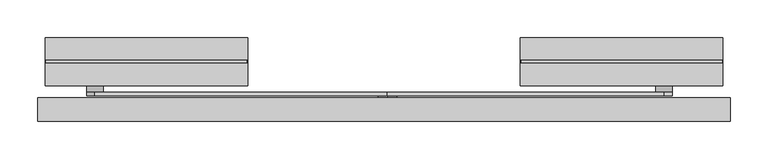
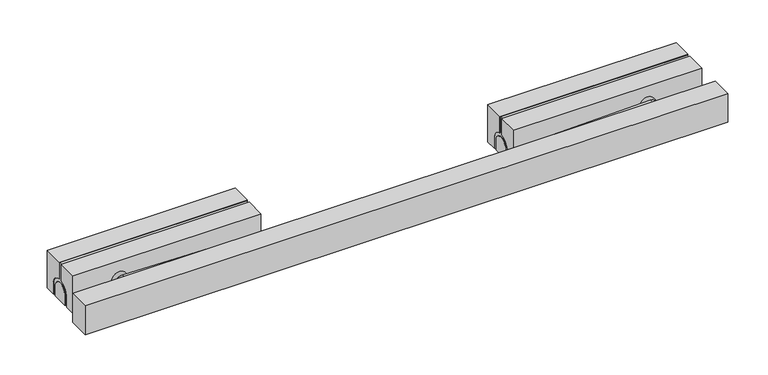
"""IFC4 building model written with IfcOpenShell, lengths in millimetres: proxy geometry."""

from ifc_helpers import new_model, si_unit, point, frame, frame_2d, origin, origin_with_axes, place, context, project, spatial, polyline, circle_curve, trimmed, segment, composite_curve, outline, extrude, source, transform, mapped, element, save
from ifc_brep_helpers import plane_surface, cylinder_surface, revolved_surface, advanced_brep


def generic_models_06348b59(model_context):
    return source(origin(), model_context, "Body", "SolidModel", [
        advanced_brep(
        [(-182.5, 46.0, 56.0), (-182.5, 46.0, 31.8151717), (-182.5, 31.5, 15.0), (-182.5, 31.5, 0.0), (-182.5, 36.5, 0.0), (-182.5, 36.5, 15.0), (-182.5, 60.5, 15.0), (-182.5, 60.5, 0.0), (-182.5, 65.5, 0.0), (-182.5, 65.5, 15.0), (-182.5, 51.0, 31.8151717), (-182.5, 51.0, 56.0), (-450.5, 51.0, 56.0), (-450.5, 51.0, 31.8151717), (-450.5, 65.5, 15.0), (-450.5, 65.5, 0.0), (-450.5, 60.5, 0.0), (-450.5, 60.5, 15.0), (-450.5, 36.5, 15.0), (-450.5, 36.5, 0.0), (-450.5, 31.5, 0.0), (-450.5, 31.5, 15.0), (-450.5, 46.0, 31.8151717), (-450.5, 46.0, 56.0), (-181.5, 46.0, 57.0), (-451.5, 46.0, 57.0), (-451.5, 16.5, 57.0), (-181.5, 16.5, 57.0), (-451.5, 46.0, 31.8151717), (-181.5, 46.0, 31.8151717), (-181.5, 16.5, 0.0), (-451.5, 16.5, 0.0), (-451.5, 31.5, 0.0), (-451.5, 36.5, 0.0), (-451.5, 60.5, 0.0), (-451.5, 65.5, 0.0), (-451.5, 80.5, 0.0), (-181.5, 80.5, 0.0), (-181.5, 65.5, 0.0), (-181.5, 60.5, 0.0), (-181.5, 36.5, 0.0), (-181.5, 31.5, 0.0), (-181.5, 80.5, 57.0), (-451.5, 80.5, 57.0), (-451.5, 51.0, 57.0), (-181.5, 51.0, 57.0), (-181.5, 51.0, 31.8151717), (-451.5, 51.0, 31.8151717), (-181.5, 31.5, 15.0), (-181.5, 60.5, 15.0), (-181.5, 36.5, 15.0), (-181.5, 65.5, 15.0), (-451.5, 31.5, 15.0), (-451.5, 65.5, 15.0), (-451.5, 36.5, 15.0), (-451.5, 60.5, 15.0)],
        [
            (0, 1),
            (1, 2, circle_curve(frame((-182.5, 48.5, 15.0), z_axis=(1.0, 0.0, 0.0), x_axis=(0.0, -1.0, 0.0)), 17.0)),
            (2, 3),
            (3, 4),
            (4, 5),
            (5, 6, circle_curve(frame((-182.5, 48.5, 15.0), z_axis=(-1.0, 0.0, 0.0), x_axis=(0.0, -1.0, 0.0)), 12.0)),
            (6, 7),
            (7, 8),
            (8, 9),
            (9, 10, circle_curve(frame((-182.5, 48.5, 15.0), z_axis=(1.0, 0.0, 0.0), x_axis=(0.0, -1.0, 0.0)), 17.0)),
            (10, 11),
            (11, 0),
            (12, 13),
            (13, 14, circle_curve(frame((-450.5, 48.5, 15.0), z_axis=(-1.0, 0.0, 0.0), x_axis=(0.0, -1.0, 0.0)), 17.0)),
            (14, 15),
            (15, 16),
            (16, 17),
            (17, 18, circle_curve(frame((-450.5, 48.5, 15.0), z_axis=(1.0, 0.0, 0.0), x_axis=(0.0, -1.0, 0.0)), 12.0)),
            (18, 19),
            (19, 20),
            (20, 21),
            (21, 22, circle_curve(frame((-450.5, 48.5, 15.0), z_axis=(-1.0, 0.0, 0.0), x_axis=(0.0, -1.0, 0.0)), 17.0)),
            (22, 23),
            (23, 12),
            (24, 25),
            (25, 26),
            (26, 27),
            (27, 24),
            (22, 28),
            (28, 25),
            (24, 29),
            (29, 1),
            (0, 23),
            (30, 31),
            (31, 32),
            (32, 20),
            (19, 33),
            (33, 34),
            (34, 16),
            (15, 35),
            (35, 36),
            (36, 37),
            (37, 38),
            (38, 8),
            (7, 39),
            (39, 40),
            (40, 4),
            (3, 41),
            (41, 30),
            (26, 31),
            (30, 27),
            (42, 43),
            (43, 44),
            (44, 45),
            (45, 42),
            (36, 43),
            (42, 37),
            (10, 46),
            (46, 45),
            (44, 47),
            (47, 13),
            (12, 11),
            (41, 48),
            (48, 29, circle_curve(frame((-181.5, 48.5, 15.0), z_axis=(-1.0, 0.0, 0.0), x_axis=(0.0, -1.0, 0.0)), 17.0)),
            (39, 49),
            (49, 50, circle_curve(frame((-181.5, 48.5, 15.0), z_axis=(1.0, 0.0, 0.0), x_axis=(0.0, -1.0, 0.0)), 12.0)),
            (50, 40),
            (46, 51, circle_curve(frame((-181.5, 48.5, 15.0), z_axis=(-1.0, 0.0, 0.0), x_axis=(0.0, -1.0, 0.0)), 17.0)),
            (51, 38),
            (48, 2),
            (51, 9),
            (50, 5),
            (49, 6),
            (28, 52, circle_curve(frame((-451.5, 48.5, 15.0), z_axis=(1.0, 0.0, 0.0), x_axis=(0.0, -1.0, 0.0)), 17.0)),
            (52, 32),
            (35, 53),
            (53, 47, circle_curve(frame((-451.5, 48.5, 15.0), z_axis=(1.0, 0.0, 0.0), x_axis=(0.0, -1.0, 0.0)), 17.0)),
            (33, 54),
            (54, 55, circle_curve(frame((-451.5, 48.5, 15.0), z_axis=(-1.0, 0.0, 0.0), x_axis=(0.0, -1.0, 0.0)), 12.0)),
            (55, 34),
            (21, 52),
            (14, 53),
            (18, 54),
            (17, 55),
        ],
        [
            plane_surface(frame((-182.5, 46.0, 57.0), z_axis=(1.0, 0.0, 0.0), x_axis=(0.0, 1.0, 0.0))),
            plane_surface(frame((-450.5, 46.0, 57.0), z_axis=(-1.0, 0.0, 0.0), x_axis=(0.0, -1.0, 0.0))),
            plane_surface(frame((-182.5, 16.5, 57.0), z_axis=(0.0, 0.0, 1.0), x_axis=(-1.0, 0.0, 0.0))),
            plane_surface(frame((-182.5, 46.0, 57.0), z_axis=(0.0, 1.0, 0.0), x_axis=(-1.0, 0.0, 0.0))),
            plane_surface(frame((-182.5, 80.5, 0.0), z_axis=(0.0, 0.0, -1.0), x_axis=(-1.0, 0.0, 0.0))),
            plane_surface(frame((-182.5, 16.5, 0.0), z_axis=(0.0, -1.0, 0.0), x_axis=(-1.0, 0.0, 0.0))),
            plane_surface(frame((-182.5, 51.0, 57.0), z_axis=(0.0, 0.0, 1.0), x_axis=(-1.0, 0.0, 0.0))),
            plane_surface(frame((-182.5, 80.5, 57.0), z_axis=(0.0, 1.0, 0.0), x_axis=(-1.0, 0.0, 0.0))),
            plane_surface(frame((-182.5, 51.0, 56.0), z_axis=(0.0, -1.0, 0.0), x_axis=(-1.0, 0.0, 0.0))),
            plane_surface(frame((-182.5, 46.0, 56.0), z_axis=(0.0, 0.0, 1.0), x_axis=(-1.0, 0.0, 0.0))),
            plane_surface(frame((-181.5, 16.5, 57.0), z_axis=(1.0, 0.0, 0.0), x_axis=(0.0, 1.0, 0.0))),
            revolved_surface(polyline([(-181.5, 31.5, 15.0), (-182.5, 31.5, 15.0)]), (-181.5, 48.5, 15.0), (1.0, 0.0, 0.0)),
            plane_surface(frame((-182.5, 31.5, 0.0), z_axis=(0.0, 1.0, 0.0), x_axis=(1.0, 0.0, 0.0))),
            plane_surface(frame((-182.5, 65.5, 15.0), z_axis=(0.0, -1.0, 0.0), x_axis=(1.0, 0.0, 0.0))),
            revolved_surface(polyline([(-181.5, 31.5, 15.0), (-182.5, 31.5, 15.0)]), (500.0, 48.5, 15.0), (1.0, 0.0, 0.0)),
            plane_surface(frame((-182.5, 36.5, 15.0), z_axis=(0.0, -1.0, 0.0), x_axis=(1.0, 0.0, 0.0))),
            cylinder_surface(frame((500.0, 48.5, 15.0), z_axis=(-1.0, 0.0, 0.0), x_axis=(0.0, -1.0, 0.0)), 12.0),
            plane_surface(frame((-182.5, 60.5, 0.0), z_axis=(0.0, 1.0, 0.0), x_axis=(1.0, 0.0, 0.0))),
            plane_surface(frame((-451.5, 16.5, 57.0), z_axis=(-1.0, 0.0, 0.0), x_axis=(0.0, -1.0, 0.0))),
            revolved_surface(polyline([(-450.5, 31.5, 15.0), (-451.5, 31.5, 15.0)]), (-450.5, 48.5, 15.0), (1.0, 0.0, 0.0)),
            plane_surface(frame((-451.5, 31.5, 0.0), z_axis=(0.0, 1.0, 0.0), x_axis=(1.0, 0.0, 0.0))),
            plane_surface(frame((-451.5, 65.5, 15.0), z_axis=(0.0, -1.0, 0.0), x_axis=(1.0, 0.0, 0.0))),
            revolved_surface(polyline([(-450.5, 31.5, 15.0), (-451.5, 31.5, 15.0)]), (0.0, 48.5, 15.0), (1.0, 0.0, 0.0)),
            plane_surface(frame((-451.5, 36.5, 15.0), z_axis=(0.0, -1.0, 0.0), x_axis=(1.0, 0.0, 0.0))),
            cylinder_surface(frame((0.0, 48.5, 15.0), z_axis=(-1.0, 0.0, 0.0), x_axis=(0.0, -1.0, 0.0)), 12.0),
            plane_surface(frame((-451.5, 60.5, 0.0), z_axis=(0.0, 1.0, 0.0), x_axis=(1.0, 0.0, 0.0))),
        ],
        [
            (0, [[1, 2, 3, 4, 5, 6, 7, 8, 9, 10, 11, 12]]),
            (1, [[13, 14, 15, 16, 17, 18, 19, 20, 21, 22, 23, 24]]),
            (2, [[25, 26, 27, 28]]),
            (3, [[-23, 29, 30, -25, 31, 32, -1, 33]]),
            (4, [[34, 35, 36, -20, 37, 38, 39, -16, 40, 41, 42, 43, 44, -8, 45, 46, 47, -4, 48, 49]]),
            (5, [[50, -34, 51, -27]]),
            (6, [[52, 53, 54, 55]]),
            (7, [[56, -52, 57, -42]]),
            (8, [[-11, 58, 59, -54, 60, 61, -13, 62]]),
            (9, [[-62, -24, -33, -12]]),
            (10, [[-28, -51, -49, 63, 64, -31]]),
            (10, [[-46, 65, 66, 67]]),
            (10, [[-59, 68, 69, -43, -57, -55]]),
            (11, [[70, -2, -32, -64]]),
            (12, [[-48, -3, -70, -63]]),
            (13, [[71, -9, -44, -69]]),
            (14, [[-58, -10, -71, -68]]),
            (15, [[72, -5, -47, -67]]),
            (16, [[73, -6, -72, -66]]),
            (17, [[-45, -7, -73, -65]]),
            (18, [[-30, 74, 75, -35, -50, -26]]),
            (18, [[-53, -56, -41, 76, 77, -60]]),
            (18, [[78, 79, 80, -38]]),
            (19, [[-29, -22, 81, -74]]),
            (20, [[-81, -21, -36, -75]]),
            (21, [[-40, -15, 82, -76]]),
            (22, [[-82, -14, -61, -77]]),
            (23, [[-37, -19, 83, -78]]),
            (24, [[-83, -18, 84, -79]]),
            (25, [[-84, -17, -39, -80]]),
        ],
    ),
        advanced_brep(
        [(182.5, 51.0, 56.0), (182.5, 51.0, 31.8151717), (182.5, 65.5, 15.0), (182.5, 65.5, 0.0), (182.5, 60.5, 0.0), (182.5, 60.5, 15.0), (182.5, 36.5, 15.0), (182.5, 36.5, 0.0), (182.5, 31.5, 0.0), (182.5, 31.5, 15.0), (182.5, 46.0, 31.8151717), (182.5, 46.0, 56.0), (450.5, 46.0, 56.0), (450.5, 46.0, 31.8151717), (450.5, 31.5, 15.0), (450.5, 31.5, 0.0), (450.5, 36.5, 0.0), (450.5, 36.5, 15.0), (450.5, 60.5, 15.0), (450.5, 60.5, 0.0), (450.5, 65.5, 0.0), (450.5, 65.5, 15.0), (450.5, 51.0, 31.8151717), (450.5, 51.0, 56.0), (451.5, 46.0, 57.0), (181.5, 46.0, 57.0), (181.5, 16.5, 57.0), (451.5, 16.5, 57.0), (181.5, 46.0, 31.8151717), (451.5, 46.0, 31.8151717), (451.5, 16.5, 0.0), (181.5, 16.5, 0.0), (181.5, 31.5, 0.0), (181.5, 36.5, 0.0), (181.5, 60.5, 0.0), (181.5, 65.5, 0.0), (181.5, 80.5, 0.0), (451.5, 80.5, 0.0), (451.5, 65.5, 0.0), (451.5, 60.5, 0.0), (451.5, 36.5, 0.0), (451.5, 31.5, 0.0), (451.5, 80.5, 57.0), (181.5, 80.5, 57.0), (181.5, 51.0, 57.0), (451.5, 51.0, 57.0), (451.5, 51.0, 31.8151717), (181.5, 51.0, 31.8151717), (451.5, 31.5, 15.0), (451.5, 60.5, 15.0), (451.5, 36.5, 15.0), (451.5, 65.5, 15.0), (181.5, 31.5, 15.0), (181.5, 65.5, 15.0), (181.5, 36.5, 15.0), (181.5, 60.5, 15.0)],
        [
            (0, 1),
            (1, 2, circle_curve(frame((182.5, 48.5, 15.0), z_axis=(-1.0, 0.0, 0.0), x_axis=(0.0, -1.0, 0.0)), 17.0)),
            (2, 3),
            (3, 4),
            (4, 5),
            (5, 6, circle_curve(frame((182.5, 48.5, 15.0), z_axis=(1.0, 0.0, 0.0), x_axis=(0.0, -1.0, 0.0)), 12.0)),
            (6, 7),
            (7, 8),
            (8, 9),
            (9, 10, circle_curve(frame((182.5, 48.5, 15.0), z_axis=(-1.0, 0.0, 0.0), x_axis=(0.0, -1.0, 0.0)), 17.0)),
            (10, 11),
            (11, 0),
            (12, 13),
            (13, 14, circle_curve(frame((450.5, 48.5, 15.0), z_axis=(1.0, 0.0, 0.0), x_axis=(0.0, -1.0, 0.0)), 17.0)),
            (14, 15),
            (15, 16),
            (16, 17),
            (17, 18, circle_curve(frame((450.5, 48.5, 15.0), z_axis=(-1.0, 0.0, 0.0), x_axis=(0.0, -1.0, 0.0)), 12.0)),
            (18, 19),
            (19, 20),
            (20, 21),
            (21, 22, circle_curve(frame((450.5, 48.5, 15.0), z_axis=(1.0, 0.0, 0.0), x_axis=(0.0, -1.0, 0.0)), 17.0)),
            (22, 23),
            (23, 12),
            (24, 25),
            (25, 26),
            (26, 27),
            (27, 24),
            (10, 28),
            (28, 25),
            (24, 29),
            (29, 13),
            (12, 11),
            (30, 31),
            (31, 32),
            (32, 8),
            (7, 33),
            (33, 34),
            (34, 4),
            (3, 35),
            (35, 36),
            (36, 37),
            (37, 38),
            (38, 20),
            (19, 39),
            (39, 40),
            (40, 16),
            (15, 41),
            (41, 30),
            (26, 31),
            (30, 27),
            (42, 43),
            (43, 44),
            (44, 45),
            (45, 42),
            (36, 43),
            (42, 37),
            (22, 46),
            (46, 45),
            (44, 47),
            (47, 1),
            (0, 23),
            (41, 48),
            (48, 29, circle_curve(frame((451.5, 48.5, 15.0), z_axis=(-1.0, 0.0, 0.0), x_axis=(0.0, -1.0, 0.0)), 17.0)),
            (39, 49),
            (49, 50, circle_curve(frame((451.5, 48.5, 15.0), z_axis=(1.0, 0.0, 0.0), x_axis=(0.0, -1.0, 0.0)), 12.0)),
            (50, 40),
            (46, 51, circle_curve(frame((451.5, 48.5, 15.0), z_axis=(-1.0, 0.0, 0.0), x_axis=(0.0, -1.0, 0.0)), 17.0)),
            (51, 38),
            (48, 14),
            (51, 21),
            (50, 17),
            (49, 18),
            (28, 52, circle_curve(frame((181.5, 48.5, 15.0), z_axis=(1.0, 0.0, 0.0), x_axis=(0.0, -1.0, 0.0)), 17.0)),
            (52, 32),
            (35, 53),
            (53, 47, circle_curve(frame((181.5, 48.5, 15.0), z_axis=(1.0, 0.0, 0.0), x_axis=(0.0, -1.0, 0.0)), 17.0)),
            (33, 54),
            (54, 55, circle_curve(frame((181.5, 48.5, 15.0), z_axis=(-1.0, 0.0, 0.0), x_axis=(0.0, -1.0, 0.0)), 12.0)),
            (55, 34),
            (9, 52),
            (2, 53),
            (6, 54),
            (5, 55),
        ],
        [
            plane_surface(frame((182.5, 16.5, 57.0), z_axis=(-1.0, 0.0, 0.0), x_axis=(0.0, 0.0, -1.0))),
            plane_surface(frame((450.5, 16.5, 57.0), z_axis=(1.0, 0.0, 0.0), x_axis=(0.0, 0.0, 1.0))),
            plane_surface(frame((182.5, 46.0, 57.0), z_axis=(0.0, 0.0, 1.0), x_axis=(1.0, 0.0, 0.0))),
            plane_surface(frame((182.5, 46.0, 56.0), z_axis=(0.0, 1.0, 0.0), x_axis=(1.0, 0.0, 0.0))),
            plane_surface(frame((182.5, 16.5, 0.0), z_axis=(0.0, 0.0, -1.0), x_axis=(1.0, 0.0, 0.0))),
            plane_surface(frame((182.5, 16.5, 57.0), z_axis=(0.0, -1.0, 0.0), x_axis=(1.0, 0.0, 0.0))),
            plane_surface(frame((182.5, 80.5, 57.0), z_axis=(0.0, 0.0, 1.0), x_axis=(1.0, 0.0, 0.0))),
            plane_surface(frame((182.5, 80.5, 0.0), z_axis=(0.0, 1.0, 0.0), x_axis=(1.0, 0.0, 0.0))),
            plane_surface(frame((182.5, 51.0, 57.0), z_axis=(0.0, -1.0, 0.0), x_axis=(1.0, 0.0, 0.0))),
            plane_surface(frame((182.5, 51.0, 56.0), z_axis=(0.0, 0.0, 1.0), x_axis=(1.0, 0.0, 0.0))),
            plane_surface(frame((451.5, 46.0, 57.0), z_axis=(1.0, 0.0, 0.0), x_axis=(0.0, 0.0, -1.0))),
            revolved_surface(polyline([(450.5, 31.5, 15.0), (451.5, 31.5, 15.0)]), (450.5, 48.5, 15.0), (-1.0, 0.0, 0.0)),
            plane_surface(frame((451.5, 31.5, 15.0), z_axis=(0.0, 1.0, 0.0), x_axis=(-1.0, 0.0, 0.0))),
            plane_surface(frame((451.5, 65.5, 0.0), z_axis=(0.0, -1.0, 0.0), x_axis=(-1.0, 0.0, 0.0))),
            revolved_surface(polyline([(450.5, 31.5, 15.0), (451.5, 31.5, 15.0)]), (0.0, 48.5, 15.0), (-1.0, 0.0, 0.0)),
            plane_surface(frame((451.5, 36.5, 0.0), z_axis=(0.0, -1.0, 0.0), x_axis=(-1.0, 0.0, 0.0))),
            cylinder_surface(frame((0.0, 48.5, 15.0), z_axis=(1.0, 0.0, 0.0), x_axis=(0.0, -1.0, 0.0)), 12.0),
            plane_surface(frame((451.5, 60.5, 15.0), z_axis=(0.0, 1.0, 0.0), x_axis=(-1.0, 0.0, 0.0))),
            plane_surface(frame((181.5, 46.0, 57.0), z_axis=(-1.0, 0.0, 0.0), x_axis=(0.0, 0.0, 1.0))),
            revolved_surface(polyline([(181.5, 31.5, 15.0), (182.5, 31.5, 15.0)]), (181.5, 48.5, 15.0), (-1.0, 0.0, 0.0)),
            plane_surface(frame((182.5, 31.5, 15.0), z_axis=(0.0, 1.0, 0.0), x_axis=(-1.0, 0.0, 0.0))),
            plane_surface(frame((182.5, 65.5, 0.0), z_axis=(0.0, -1.0, 0.0), x_axis=(-1.0, 0.0, 0.0))),
            revolved_surface(polyline([(181.5, 31.5, 15.0), (182.5, 31.5, 15.0)]), (-500.0, 48.5, 15.0), (-1.0, 0.0, 0.0)),
            plane_surface(frame((182.5, 36.5, 0.0), z_axis=(0.0, -1.0, 0.0), x_axis=(-1.0, 0.0, 0.0))),
            cylinder_surface(frame((-500.0, 48.5, 15.0), z_axis=(1.0, 0.0, 0.0), x_axis=(0.0, -1.0, 0.0)), 12.0),
            plane_surface(frame((182.5, 60.5, 15.0), z_axis=(0.0, 1.0, 0.0), x_axis=(-1.0, 0.0, 0.0))),
        ],
        [
            (0, [[1, 2, 3, 4, 5, 6, 7, 8, 9, 10, 11, 12]]),
            (1, [[13, 14, 15, 16, 17, 18, 19, 20, 21, 22, 23, 24]]),
            (2, [[25, 26, 27, 28]]),
            (3, [[-11, 29, 30, -25, 31, 32, -13, 33]]),
            (4, [[34, 35, 36, -8, 37, 38, 39, -4, 40, 41, 42, 43, 44, -20, 45, 46, 47, -16, 48, 49]]),
            (5, [[50, -34, 51, -27]]),
            (6, [[52, 53, 54, 55]]),
            (7, [[56, -52, 57, -42]]),
            (8, [[-23, 58, 59, -54, 60, 61, -1, 62]]),
            (9, [[-33, -24, -62, -12]]),
            (10, [[-28, -51, -49, 63, 64, -31]]),
            (10, [[-46, 65, 66, 67]]),
            (10, [[-59, 68, 69, -43, -57, -55]]),
            (11, [[70, -14, -32, -64]]),
            (12, [[-48, -15, -70, -63]]),
            (13, [[71, -21, -44, -69]]),
            (14, [[-58, -22, -71, -68]]),
            (15, [[72, -17, -47, -67]]),
            (16, [[73, -18, -72, -66]]),
            (17, [[-45, -19, -73, -65]]),
            (18, [[-30, 74, 75, -35, -50, -26]]),
            (18, [[-53, -56, -41, 76, 77, -60]]),
            (18, [[78, 79, 80, -38]]),
            (19, [[-29, -10, 81, -74]]),
            (20, [[-81, -9, -36, -75]]),
            (21, [[-40, -3, 82, -76]]),
            (22, [[-82, -2, -61, -77]]),
            (23, [[-37, -7, 83, -78]]),
            (24, [[-83, -6, 84, -79]]),
            (25, [[-84, -5, -39, -80]]),
        ],
    ),
        extrude(outline(composite_curve([segment(trimmed(circle_curve(frame_2d((20.1425372, 5.8648756)), 11.0), [point((20.1425372, -5.1351244))], [point((20.1425372, 16.8648756))], False, "CARTESIAN"), True, "CONTINUOUS"), segment(trimmed(circle_curve(frame_2d((20.1425372, 5.8648756)), 11.0), [point((20.1425372, 16.8648756))], [point((20.1425372, -5.1351244))], False, "CARTESIAN"), True, "CONTINUOUS")], self_intersect=False)), frame((0.0, 0.0, 0.0), z_axis=(0.0, 1.0, 0.0), x_axis=(0.0, 0.0, 1.0)), (0.0, 0.0, 1.0), 2.85),
        extrude(outline(composite_curve([segment(trimmed(circle_curve(frame_2d((29.7, -385.2686159)), 11.0), [point((40.6967198, -385.0))], [point((18.7032802, -385.5372317))], False, "CARTESIAN"), True, "CONTINUOUS"), segment(polyline([(18.7032802, -385.5372317), (9.148803, 5.608366)]), True, "CONTINUOUS"), segment(trimmed(circle_curve(frame_2d((20.1455227, 5.8769819)), 11.0), [point((9.148803, 5.608366))], [point((31.1422425, 6.1455977))], False, "CARTESIAN"), True, "CONTINUOUS"), segment(polyline([(31.1422425, 6.1455977), (40.6967198, -385.0)]), True, "CONTINUOUS")], self_intersect=False)), frame((0.0, 2.85, 0.0), z_axis=(0.0, 1.0, 0.0), x_axis=(0.0, 0.0, 1.0)), (0.0, 0.0, 1.0), 5.0),
        extrude(outline(composite_curve([segment(trimmed(circle_curve(frame_2d((29.7, -385.2686159)), 11.0), [point((29.7, -396.2686159))], [point((29.7, -374.2686159))], False, "CARTESIAN"), True, "CONTINUOUS"), segment(trimmed(circle_curve(frame_2d((29.7, -385.2686159)), 11.0), [point((29.7, -374.2686159))], [point((29.7, -396.2686159))], False, "CARTESIAN"), True, "CONTINUOUS")], self_intersect=False)), frame((0.0, 7.85, 0.0), z_axis=(0.0, 1.0, 0.0), x_axis=(0.0, 0.0, 1.0)), (0.0, 0.0, 1.0), 8.65),
        extrude(outline(composite_curve([segment(trimmed(circle_curve(frame_2d((20.6615384, 3.1136155)), 11.0), [point((20.6615384, 14.1136155))], [point((20.6615384, -7.8863845))], False, "CARTESIAN"), True, "CONTINUOUS"), segment(trimmed(circle_curve(frame_2d((20.6615384, 3.1136155)), 11.0), [point((20.6615384, -7.8863845))], [point((20.6615384, 14.1136155))], False, "CARTESIAN"), True, "CONTINUOUS")], self_intersect=False)), frame((0.0, 0.0, 0.0), z_axis=(0.0, 1.0, 0.0), x_axis=(0.0, 0.0, 1.0)), (0.0, 0.0, 1.0), 2.85),
        extrude(outline(polyline([(-461.5, 0.0), (461.5, 0.0), (461.5, -31.0), (-461.5, -31.0), (-461.5, 0.0)])), origin_with_axes(), (0.0, 0.0, 1.0), 43.6647394),
        extrude(outline(composite_curve([segment(polyline([(40.6967198, 372.7313841), (31.6614592, 2.8417194)]), True, "CONTINUOUS"), segment(trimmed(circle_curve(frame_2d((20.6647394, 3.1103353)), 11.0), [point((31.6614592, 2.8417194))], [point((9.6680197, 3.3789511))], False, "CARTESIAN"), True, "CONTINUOUS"), segment(polyline([(9.6680197, 3.3789511), (18.7032802, 373.2686159)]), True, "CONTINUOUS"), segment(trimmed(circle_curve(frame_2d((29.7, 373.0)), 11.0), [point((18.7032802, 373.2686159))], [point((40.6967198, 372.7313841))], False, "CARTESIAN"), True, "CONTINUOUS")], self_intersect=False)), frame((0.0, 2.85, 0.0), z_axis=(0.0, 1.0, 0.0), x_axis=(0.0, 0.0, 1.0)), (0.0, 0.0, 1.0), 5.0),
        extrude(outline(composite_curve([segment(trimmed(circle_curve(frame_2d((29.7, 373.0)), 11.0), [point((29.7, 384.0))], [point((29.7, 362.0))], False, "CARTESIAN"), True, "CONTINUOUS"), segment(trimmed(circle_curve(frame_2d((29.7, 373.0)), 11.0), [point((29.7, 362.0))], [point((29.7, 384.0))], False, "CARTESIAN"), True, "CONTINUOUS")], self_intersect=False)), frame((0.0, 7.85, 0.0), z_axis=(0.0, 1.0, 0.0), x_axis=(0.0, 0.0, 1.0)), (0.0, 0.0, 1.0), 8.65),
    ])


if __name__ == "__main__":
    model = new_model("IFC4")
    model_context = context("Model", 3, world=origin())
    ifc_project = project(units=[si_unit("LENGTHUNIT", "METRE", prefix="MILLI")], contexts=[model_context])
    site = spatial("IfcSite", under=ifc_project)
    building = spatial("IfcBuilding", under=site)
    placement = place(None, origin())
    generic_models_shape = generic_models_06348b59(model_context)
    element("IfcBuildingElementProxy", 1, Name="Generic Models", at=placement, inside=building, context=model_context, shape_type="MappedRepresentation", body=[
        mapped(generic_models_shape, transform((0.0, 0.0, 0.0), x_axis=(1.0, 0.0, 0.0), y_axis=(0.0, 1.0, 0.0), z_axis=(0.0, 0.0, 1.0))),
    ])
    save(model, "model.ifc")
